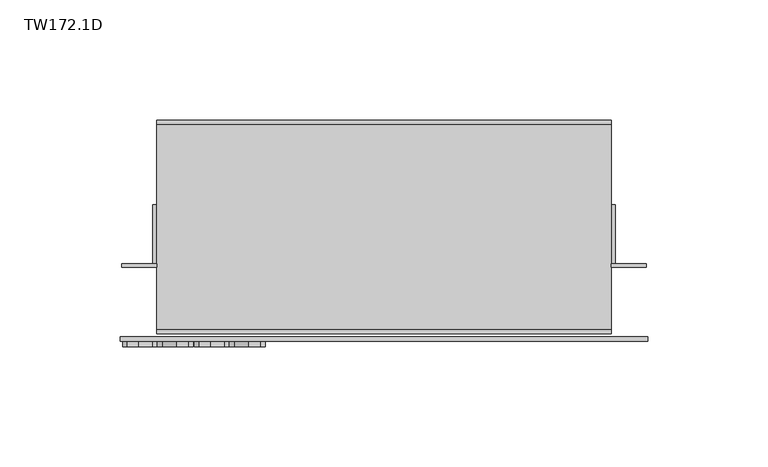
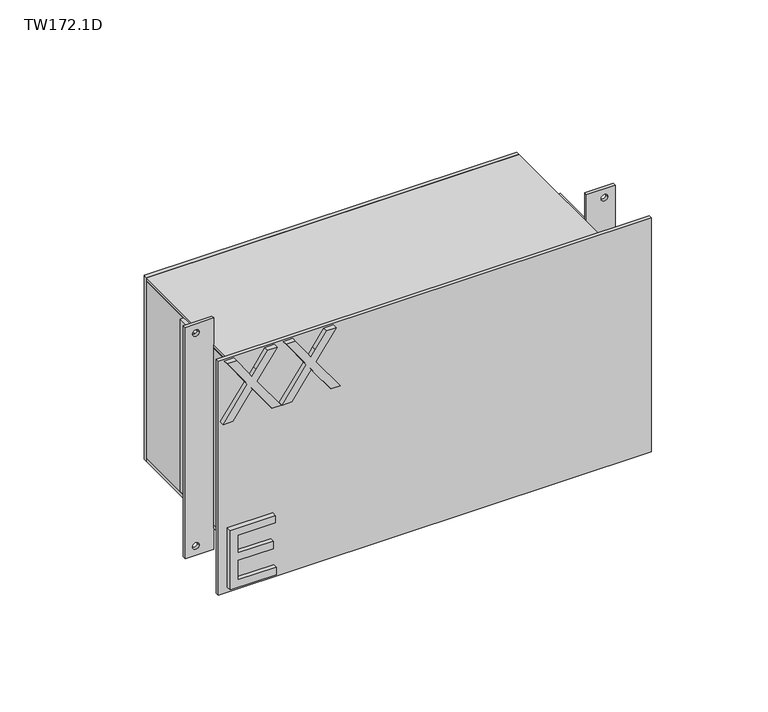
"""IFC4 building model written with IfcOpenShell, lengths in millimetres: furniture geometry, TW172.1D."""

import ifcopenshell
import ifcopenshell.guid

model = None  # the IFC model being written
_history = None  # IfcOwnerHistory: only IFC2X3 demands one
_inside = {}  # id of a spatial element -> (the spatial element, [elements in it])
_under = {}  # id of a project, library or spatial element -> (it, [spatial elements below it])
_declared = {}  # id of a project -> (the project, [libraries it declares])
_typed = {}  # id of a type object -> (the type object, [elements of that type])
_made_of = {}  # id of a material, layer set ... -> (it, [elements and type objects made of it])


def new_model(schema):
    """Start an empty IFC model of exactly this schema.

    Asked for "IFC4X3", IfcOpenShell would pick the latest addendum, in which some entities
    have other attributes; the version numbers below select the first issue.
    IFC2X3 requires an IfcOwnerHistory on every rooted entity: one is made here for all.
    """
    global model, _history
    if schema == "IFC4X3":
        model = ifcopenshell.file(schema_version=(4, 3, 0, 0))
    else:
        model = ifcopenshell.file(schema=schema)
    _inside.clear()
    _under.clear()
    _declared.clear()
    _typed.clear()
    _made_of.clear()
    _history = None
    if model.schema == "IFC2X3":
        org = make("IfcOrganization", Name="unknown")
        user = make(
            "IfcPersonAndOrganization",
            ThePerson=make("IfcPerson", FamilyName="unknown"),
            TheOrganization=org,
        )
        app = make(
            "IfcApplication",
            ApplicationDeveloper=org,
            Version="unknown",
            ApplicationFullName="unknown",
            ApplicationIdentifier="unknown",
        )
        _history = make(
            "IfcOwnerHistory",
            OwningUser=user,
            OwningApplication=app,
            ChangeAction="ADDED",
            CreationDate=0,
        )
    return model


def make(cls, **values):
    """One entity of the class cls with the attributes given. An attribute that is None is left unset."""
    return model.create_entity(
        cls, **{name: value for name, value in values.items() if value is not None}
    )


def rooted(cls, **values):
    """An entity with a GlobalId (a new one), such as an element, a storey or a relation."""
    return make(cls, GlobalId=ifcopenshell.guid.new(), OwnerHistory=_history, **values)


def si_unit(unit_type, name, prefix=None):
    """IfcSIUnit, for example si_unit("LENGTHUNIT", "METRE", prefix="MILLI")."""
    return make("IfcSIUnit", UnitType=unit_type, Prefix=prefix, Name=name)


def assignment(units):
    """IfcUnitAssignment: the units of a project."""
    return None if units is None else make("IfcUnitAssignment", Units=units)


def point(xyz):
    """IfcCartesianPoint."""
    return None if xyz is None else make("IfcCartesianPoint", Coordinates=xyz)


def direction(xyz):
    """IfcDirection."""
    return None if xyz is None else make("IfcDirection", DirectionRatios=xyz)


def frame(location, z_axis=None, x_axis=None):
    """IfcAxis2Placement3D, a coordinate frame: its origin and axes. An axis left out is left unset."""
    return make(
        "IfcAxis2Placement3D",
        Location=point(location),
        Axis=direction(z_axis),
        RefDirection=direction(x_axis),
    )


def frame_2d(location, x_axis=None):
    """IfcAxis2Placement2D, a coordinate frame in the plane: its origin and x axis."""
    return make(
        "IfcAxis2Placement2D", Location=point(location), RefDirection=direction(x_axis)
    )


def origin():
    """The frame at (0, 0, 0) with its axes left unset."""
    return frame((0.0, 0.0, 0.0))


def place(relative_to, where):
    """IfcLocalPlacement: puts the frame where relative to a parent placement (None: the world)."""
    return make(
        "IfcLocalPlacement", PlacementRelTo=relative_to, RelativePlacement=where
    )


def context(
    kind, dimensions, precision=None, world=None, true_north=None, identifier=None
):
    """IfcGeometricRepresentationContext, for example the 3D "Model" context."""
    return make(
        "IfcGeometricRepresentationContext",
        ContextIdentifier=identifier,
        ContextType=kind,
        CoordinateSpaceDimension=dimensions,
        Precision=precision,
        WorldCoordinateSystem=world,
        TrueNorth=true_north,
    )


def project(units=None, contexts=None):
    """IfcProject with its units and contexts."""
    return rooted(
        "IfcProject",
        Name="project",
        RepresentationContexts=contexts,
        UnitsInContext=assignment(units),
    )


def spatial(cls, under=None, at=None, **own):
    """A site, building, storey or space (cls), placed at a placement, below another one or the project."""
    s = rooted(cls, ObjectPlacement=at, **own)
    if under is not None:
        _under.setdefault(under.id(), (under, []))[1].append(s)
    return s


def polyline(points):
    """IfcPolyline through the points."""
    return make("IfcPolyline", Points=[point(p) for p in points])


def circle_curve(where, radius):
    """IfcCircle in the frame where."""
    return make("IfcCircle", Position=where, Radius=radius)


def trimmed(basis, trim1, trim2, sense, master):
    """IfcTrimmedCurve: the piece of a basis curve between two trims."""
    return make(
        "IfcTrimmedCurve",
        BasisCurve=basis,
        Trim1=trim1,
        Trim2=trim2,
        SenseAgreement=sense,
        MasterRepresentation=master,
    )


def segment(curve, same_sense, transition):
    """IfcCompositeCurveSegment."""
    return make(
        "IfcCompositeCurveSegment",
        Transition=transition,
        SameSense=same_sense,
        ParentCurve=curve,
    )


def composite_curve(segments, self_intersect=None):
    """IfcCompositeCurve: segments joined end to end."""
    return make("IfcCompositeCurve", Segments=segments, SelfIntersect=self_intersect)


def outline(outer, holes=None, kind="AREA"):
    """IfcArbitraryClosedProfileDef: a profile drawn as a closed curve; with holes, ...WithVoids."""
    if holes is None:
        return make("IfcArbitraryClosedProfileDef", ProfileType=kind, OuterCurve=outer)
    return make(
        "IfcArbitraryProfileDefWithVoids",
        ProfileType=kind,
        OuterCurve=outer,
        InnerCurves=holes,
    )


def extrude(swept, where, along, depth):
    """IfcExtrudedAreaSolid: the profile swept, set in the frame where, extruded along a direction by depth."""
    return make(
        "IfcExtrudedAreaSolid",
        SweptArea=swept,
        Position=where,
        ExtrudedDirection=direction(along),
        Depth=depth,
    )


def shape(context_of_items, identifier, shape_type, items):
    """IfcShapeRepresentation: the items that make up one representation, for example the "Body"."""
    return make(
        "IfcShapeRepresentation",
        ContextOfItems=context_of_items,
        RepresentationIdentifier=identifier,
        RepresentationType=shape_type,
        Items=items,
    )


def source(mapping_origin, context_of_items, identifier, shape_type, items):
    """IfcRepresentationMap: a shape defined once, which mapped items show again and again."""
    return make(
        "IfcRepresentationMap",
        MappingOrigin=mapping_origin,
        MappedRepresentation=shape(context_of_items, identifier, shape_type, items),
    )


def transform(
    local_origin,
    x_axis=None,
    y_axis=None,
    z_axis=None,
    scale=None,
    scale2=None,
    scale3=None,
    uniform=True,
):
    """IfcCartesianTransformationOperator3D, or its non-uniform kind. x_axis, y_axis, z_axis: its Axis1, 2, 3."""
    if uniform:
        return make(
            "IfcCartesianTransformationOperator3D",
            Axis1=direction(x_axis),
            Axis2=direction(y_axis),
            LocalOrigin=point(local_origin),
            Scale=scale,
            Axis3=direction(z_axis),
        )
    return make(
        "IfcCartesianTransformationOperator3DnonUniform",
        Axis1=direction(x_axis),
        Axis2=direction(y_axis),
        LocalOrigin=point(local_origin),
        Scale=scale,
        Axis3=direction(z_axis),
        Scale2=scale2,
        Scale3=scale3,
    )


def mapped(mapping_source, mapping_target):
    """IfcMappedItem: shows the shape of a source again, moved by a transform."""
    return make(
        "IfcMappedItem", MappingSource=mapping_source, MappingTarget=mapping_target
    )


def made_of(thing, what):
    """Note that an element or type object is made of a material, layer set ...; save() writes the relation."""
    if what is not None:
        _made_of.setdefault(what.id(), (what, []))[1].append(thing)
    return thing


def element(
    cls,
    number,
    at=None,
    inside=None,
    cuts=None,
    type_object=None,
    material=None,
    context=None,
    identifier="Body",
    shape_type=None,
    held_by="IfcProductDefinitionShape",
    body=None,
    shapes=None,
    **own,
):
    """One element of the class cls, such as IfcWall. Its Tag is "e" and its number.

    at: its placement. inside: the storey or other place that contains it. cuts: it is an
    opening in that element (IfcRelVoidsElement). A single representation is given by context,
    identifier, shape_type and body (its items); several are given by shapes. held_by: the class
    of the entity that holds the representations. save() writes the other relations.
    """
    e = rooted(cls, Tag="e%d" % number, ObjectPlacement=at, **own)
    if body is not None:
        shapes = [shape(context, identifier, shape_type, body)]
    if shapes is not None:
        e.Representation = make(held_by, Representations=shapes)
    if inside is not None:
        _inside.setdefault(inside.id(), (inside, []))[1].append(e)
    if cuts is not None:
        rooted(
            "IfcRelVoidsElement", RelatingBuildingElement=cuts, RelatedOpeningElement=e
        )
    if type_object is not None:
        _typed.setdefault(type_object.id(), (type_object, []))[1].append(e)
    return made_of(e, material)


def aggregate(whole, parts):
    """IfcRelAggregates: a whole, such as a stair, and the parts it consists of."""
    return rooted("IfcRelAggregates", RelatingObject=whole, RelatedObjects=parts)


def save(model, path):
    """Write the relations noted so far, then the file.

    IfcRelAggregates (storeys below a building ...), IfcRelContainedInSpatialStructure (elements
    in a storey), IfcRelDefinesByType, IfcRelAssociatesMaterial and IfcRelDeclares: one each for
    every whole, place, type object, material and project.
    """
    for whole, parts in _under.values():
        aggregate(whole, parts)
    for where, things in _inside.values():
        rooted(
            "IfcRelContainedInSpatialStructure",
            RelatedElements=things,
            RelatingStructure=where,
        )
    for kind, things in _typed.values():
        rooted("IfcRelDefinesByType", RelatedObjects=things, RelatingType=kind)
    for what, things in _made_of.values():
        rooted("IfcRelAssociatesMaterial", RelatedObjects=things, RelatingMaterial=what)
    for by, libraries in _declared.values():
        rooted("IfcRelDeclares", RelatingContext=by, RelatedDefinitions=libraries)
    model.write(path)


def tw172_1d_a408cf54(model_context):
    return source(origin(), model_context, "Body", "SweptSolid", [
        extrude(outline(polyline([(1447.297544, -86.6045977), (1447.297544, -63.1817963), (1451.2844038, -63.1817963), (1451.2844038, -82.6177379), (1461.7499108, -82.6177379), (1461.7499108, -64.6768688), (1465.7367707, -64.6768688), (1465.7367707, -82.6177379), (1475.2055627, -82.6177379), (1475.2055627, -63.6801538), (1479.1924225, -63.6801538), (1479.1924225, -86.6045977), (1447.297544, -86.6045977)])), frame((0.0, -30.559375, 0.0), z_axis=(0.0, 1.0, 0.0), x_axis=(0.0, 0.0, 1.0)), (0.0, 0.0, 1.0), 2.38125),
        extrude(outline(polyline([(1537.2598999, -90.0931001), (1537.2598999, -85.2419015), (1548.5819588, -77.2448214), (1551.2139092, -75.368194), (1548.8155638, -73.662877), (1537.2598999, -65.471126), (1537.2598999, -60.690009), (1554.5933958, -72.9854223), (1569.1547783, -62.6834389), (1569.1547783, -67.5346374), (1561.0408957, -73.2735352), (1557.8015721, -75.5628649), (1560.9863878, -77.5173606), (1569.1547783, -83.3185531), (1569.1547783, -88.0996701), (1554.6401168, -77.7976867), (1537.2598999, -90.0931001)])), frame((0.0, -30.559375, 0.0), z_axis=(0.0, 1.0, 0.0), x_axis=(0.0, 0.0, 1.0)), (0.0, 0.0, 1.0), 2.38125),
        extrude(outline(polyline([(1537.2598999, -60.1916515), (1537.2598999, -55.3404529), (1548.5819588, -47.3433728), (1551.2139092, -45.4667454), (1548.8155638, -43.7614284), (1537.2598999, -35.5696774), (1537.2598999, -30.7885604), (1554.5933958, -43.0839738), (1569.1547783, -32.7819903), (1569.1547783, -37.6331889), (1561.0408957, -43.3720867), (1557.8015721, -45.6614163), (1560.9863878, -47.615912), (1569.1547783, -53.4171045), (1569.1547783, -58.1982216), (1554.6401168, -47.8962381), (1537.2598999, -60.1916515)])), frame((0.0, -30.559375, 0.0), z_axis=(0.0, 1.0, 0.0), x_axis=(0.0, 0.0, 1.0)), (0.0, 0.0, 1.0), 2.38125),
        extrude(outline(polyline([(113.2435643, -25.1023438), (-75.7681545, -25.1023437), (-75.7681545, -23.5148437), (113.2435643, -23.5148437), (113.2435643, -25.1023438)])), frame((0.0, 0.0, 1542.25752), z_axis=(0.0, 0.0, 1.0), x_axis=(1.0, 0.0, 0.0)), (0.0, 0.0, 1.0), 12.7),
        extrude(outline(polyline([(113.2435643, -25.1023438), (-75.7681545, -25.1023437), (-75.7681545, -23.5148437), (113.2435643, -23.5148437), (113.2435643, -25.1023438)])), frame((0.0, 0.0, 1456.53252), z_axis=(0.0, 0.0, 1.0), x_axis=(1.0, 0.0, 0.0)), (0.0, 0.0, 1.0), 12.7),
        extrude(outline(polyline([(113.2435643, 63.7976562), (113.2435643, 62.0117187), (-75.7681545, 62.0117187), (-75.7681545, 63.7976562), (113.2435643, 63.7976562)])), frame((0.0, 0.0, 1456.53252), z_axis=(0.0, 0.0, 1.0), x_axis=(1.0, 0.0, 0.0)), (0.0, 0.0, 1.0), 98.425),
        extrude(outline(polyline([(-73.982217, -23.5148437), (-75.7681545, -23.5148437), (-75.7681545, 62.0117188), (-73.982217, 62.0117188), (-73.982217, -23.5148437)])), frame((0.0, 0.0, 1458.3184575), z_axis=(0.0, 0.0, 1.0), x_axis=(1.0, 0.0, 0.0)), (0.0, 0.0, 1.0), 94.853125),
        extrude(outline(polyline([(113.2435643, -23.5148437), (111.4576268, -23.5148437), (111.4576268, 62.0117187), (113.2435643, 62.0117187), (113.2435643, -23.5148437)])), frame((0.0, 0.0, 1458.3184575), z_axis=(0.0, 0.0, 1.0), x_axis=(1.0, 0.0, 0.0)), (0.0, 0.0, 1.0), 94.853125),
        extrude(outline(polyline([(113.2435643, -23.5148437), (-75.7681545, -23.5148437), (-75.7681545, 62.0117188), (113.2435643, 62.0117187), (113.2435643, -23.5148437)])), frame((0.0, 0.0, 1553.1715825), z_axis=(0.0, 0.0, 1.0), x_axis=(1.0, 0.0, 0.0)), (0.0, 0.0, 1.0), 1.7859375),
        extrude(outline(polyline([(113.2435643, -23.5148437), (-75.7681545, -23.5148437), (-75.7681545, 62.0117188), (113.2435643, 62.0117187), (113.2435643, -23.5148437)])), frame((0.0, 0.0, 1456.53252), z_axis=(0.0, 0.0, 1.0), x_axis=(1.0, 0.0, 0.0)), (0.0, 0.0, 1.0), 1.7859375),
        extrude(outline(polyline([(-75.7681545, 28.6742188), (-75.7681545, 4.0679688), (-77.554092, 4.0679688), (-77.554092, 28.6742188), (-75.7681545, 28.6742188)])), frame((0.0, 0.0, 1461.29502), z_axis=(0.0, 0.0, 1.0), x_axis=(1.0, 0.0, 0.0)), (0.0, 0.0, 1.0), 92.1742188),
        extrude(outline(polyline([(115.0295018, 28.6742188), (115.0295018, 4.0679688), (113.2435643, 4.0679688), (113.2435643, 28.6742188), (115.0295018, 28.6742188)])), frame((0.0, 0.0, 1461.29502), z_axis=(0.0, 0.0, 1.0), x_axis=(1.0, 0.0, 0.0)), (0.0, 0.0, 1.0), 92.1742188),
        extrude(outline(polyline([(1569.3442387, -75.7681545), (1569.3442387, -90.3533107), (1445.42002, -90.3533107), (1445.42002, -75.7681545), (1569.3442387, -75.7681545)]), holes=[composite_curve([segment(trimmed(circle_curve(frame_2d((1564.48252, -84.8962795)), 1.6867188), [point((1564.48252, -86.5829982))], [point((1564.48252, -83.2095607))], True, "CARTESIAN"), True, "CONTINUOUS"), segment(trimmed(circle_curve(frame_2d((1564.48252, -84.8962795)), 1.6867188), [point((1564.48252, -83.2095607))], [point((1564.48252, -86.5829982))], True, "CARTESIAN"), True, "CONTINUOUS")], self_intersect=False), composite_curve([segment(trimmed(circle_curve(frame_2d((1450.2817388, -84.8962795)), 1.6867188), [point((1450.2817388, -86.5829982))], [point((1450.2817388, -83.2095607))], True, "CARTESIAN"), True, "CONTINUOUS"), segment(trimmed(circle_curve(frame_2d((1450.2817388, -84.8962795)), 1.6867188), [point((1450.2817388, -83.2095607))], [point((1450.2817388, -86.5829982))], True, "CARTESIAN"), True, "CONTINUOUS")], self_intersect=False)]), frame((0.0, 2.4804688, 0.0), z_axis=(0.0, 1.0, 0.0), x_axis=(0.0, 0.0, 1.0)), (0.0, 0.0, 1.0), 1.5875),
        extrude(outline(polyline([(1569.3442387, 127.8287205), (1569.3442387, 113.2435643), (1445.42002, 113.2435643), (1445.42002, 127.8287205), (1569.3442387, 127.8287205)]), holes=[composite_curve([segment(trimmed(circle_curve(frame_2d((1564.48252, 122.3716893)), 1.6867188), [point((1564.48252, 120.6849705))], [point((1564.48252, 124.058408))], True, "CARTESIAN"), True, "CONTINUOUS"), segment(trimmed(circle_curve(frame_2d((1564.48252, 122.3716893)), 1.6867188), [point((1564.48252, 124.058408))], [point((1564.48252, 120.6849705))], True, "CARTESIAN"), True, "CONTINUOUS")], self_intersect=False), composite_curve([segment(trimmed(circle_curve(frame_2d((1450.2817388, 122.3716893)), 1.6867188), [point((1450.2817388, 120.6849705))], [point((1450.2817388, 124.058408))], True, "CARTESIAN"), True, "CONTINUOUS"), segment(trimmed(circle_curve(frame_2d((1450.2817388, 122.3716893)), 1.6867188), [point((1450.2817388, 124.058408))], [point((1450.2817388, 120.6849705))], True, "CARTESIAN"), True, "CONTINUOUS")], self_intersect=False)]), frame((0.0, 2.4804688, 0.0), z_axis=(0.0, 1.0, 0.0), x_axis=(0.0, 0.0, 1.0)), (0.0, 0.0, 1.0), 1.5875),
        extrude(outline(polyline([(128.5728612, -28.178125), (-91.0974513, -28.178125), (-91.0974513, -26.2929687), (128.5728612, -26.2929687), (128.5728612, -28.178125)])), frame((0.0, 0.0, 1444.62627), z_axis=(0.0, 0.0, 1.0), x_axis=(1.0, 0.0, 0.0)), (0.0, 0.0, 1.0), 125.5117188),
    ])


if __name__ == "__main__":
    model = new_model("IFC4")
    model_context = context("Model", 3, world=origin())
    ifc_project = project(units=[si_unit("LENGTHUNIT", "METRE", prefix="MILLI")], contexts=[model_context])
    site = spatial("IfcSite", under=ifc_project)
    building = spatial("IfcBuilding", under=site)
    placement = place(None, origin())
    tw172_1d_shape = tw172_1d_a408cf54(model_context)
    element("IfcFurniture", 1, ObjectType="TW172.1D", at=placement, inside=building, context=model_context, shape_type="MappedRepresentation", body=[
        mapped(tw172_1d_shape, transform((0.0, 0.0, 0.0), x_axis=(1.0, 0.0, 0.0), y_axis=(0.0, 1.0, 0.0), z_axis=(0.0, 0.0, 1.0))),
    ])
    save(model, "model.ifc")
